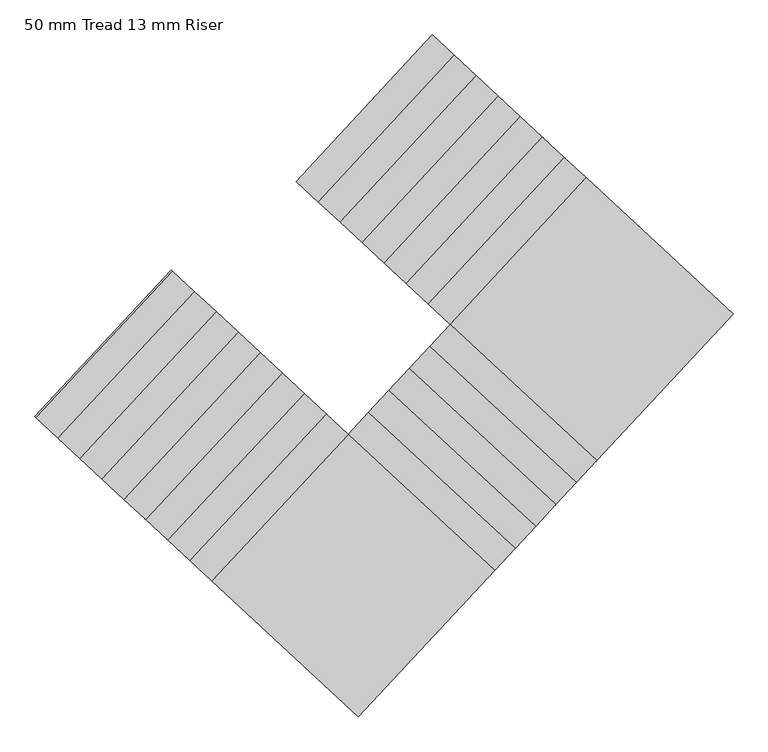
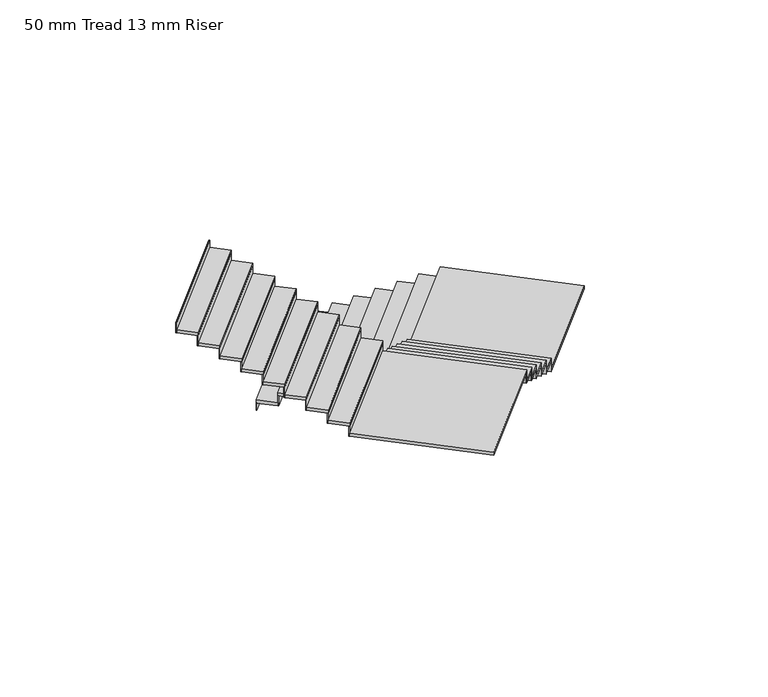
"""IFC4 building model written with IfcOpenShell, lengths in millimetres: stair flight geometry, 50 mm Tread 13 mm Riser."""

import ifcopenshell
import ifcopenshell.guid

model = None  # the IFC model being written
_history = None  # IfcOwnerHistory: only IFC2X3 demands one
_inside = {}  # id of a spatial element -> (the spatial element, [elements in it])
_under = {}  # id of a project, library or spatial element -> (it, [spatial elements below it])
_declared = {}  # id of a project -> (the project, [libraries it declares])
_typed = {}  # id of a type object -> (the type object, [elements of that type])
_made_of = {}  # id of a material, layer set ... -> (it, [elements and type objects made of it])


def new_model(schema):
    """Start an empty IFC model of exactly this schema.

    Asked for "IFC4X3", IfcOpenShell would pick the latest addendum, in which some entities
    have other attributes; the version numbers below select the first issue.
    IFC2X3 requires an IfcOwnerHistory on every rooted entity: one is made here for all.
    """
    global model, _history
    if schema == "IFC4X3":
        model = ifcopenshell.file(schema_version=(4, 3, 0, 0))
    else:
        model = ifcopenshell.file(schema=schema)
    _inside.clear()
    _under.clear()
    _declared.clear()
    _typed.clear()
    _made_of.clear()
    _history = None
    if model.schema == "IFC2X3":
        org = make("IfcOrganization", Name="unknown")
        user = make(
            "IfcPersonAndOrganization",
            ThePerson=make("IfcPerson", FamilyName="unknown"),
            TheOrganization=org,
        )
        app = make(
            "IfcApplication",
            ApplicationDeveloper=org,
            Version="unknown",
            ApplicationFullName="unknown",
            ApplicationIdentifier="unknown",
        )
        _history = make(
            "IfcOwnerHistory",
            OwningUser=user,
            OwningApplication=app,
            ChangeAction="ADDED",
            CreationDate=0,
        )
    return model


def make(cls, **values):
    """One entity of the class cls with the attributes given. An attribute that is None is left unset."""
    return model.create_entity(
        cls, **{name: value for name, value in values.items() if value is not None}
    )


def rooted(cls, **values):
    """An entity with a GlobalId (a new one), such as an element, a storey or a relation."""
    return make(cls, GlobalId=ifcopenshell.guid.new(), OwnerHistory=_history, **values)


def si_unit(unit_type, name, prefix=None):
    """IfcSIUnit, for example si_unit("LENGTHUNIT", "METRE", prefix="MILLI")."""
    return make("IfcSIUnit", UnitType=unit_type, Prefix=prefix, Name=name)


def assignment(units):
    """IfcUnitAssignment: the units of a project."""
    return None if units is None else make("IfcUnitAssignment", Units=units)


def point(xyz):
    """IfcCartesianPoint."""
    return None if xyz is None else make("IfcCartesianPoint", Coordinates=xyz)


def direction(xyz):
    """IfcDirection."""
    return None if xyz is None else make("IfcDirection", DirectionRatios=xyz)


def frame(location, z_axis=None, x_axis=None):
    """IfcAxis2Placement3D, a coordinate frame: its origin and axes. An axis left out is left unset."""
    return make(
        "IfcAxis2Placement3D",
        Location=point(location),
        Axis=direction(z_axis),
        RefDirection=direction(x_axis),
    )


def origin():
    """The frame at (0, 0, 0) with its axes left unset."""
    return frame((0.0, 0.0, 0.0))


def place(relative_to, where):
    """IfcLocalPlacement: puts the frame where relative to a parent placement (None: the world)."""
    return make(
        "IfcLocalPlacement", PlacementRelTo=relative_to, RelativePlacement=where
    )


def context(
    kind, dimensions, precision=None, world=None, true_north=None, identifier=None
):
    """IfcGeometricRepresentationContext, for example the 3D "Model" context."""
    return make(
        "IfcGeometricRepresentationContext",
        ContextIdentifier=identifier,
        ContextType=kind,
        CoordinateSpaceDimension=dimensions,
        Precision=precision,
        WorldCoordinateSystem=world,
        TrueNorth=true_north,
    )


def project(units=None, contexts=None):
    """IfcProject with its units and contexts."""
    return rooted(
        "IfcProject",
        Name="project",
        RepresentationContexts=contexts,
        UnitsInContext=assignment(units),
    )


def spatial(cls, under=None, at=None, **own):
    """A site, building, storey or space (cls), placed at a placement, below another one or the project."""
    s = rooted(cls, ObjectPlacement=at, **own)
    if under is not None:
        _under.setdefault(under.id(), (under, []))[1].append(s)
    return s


def polyline(points):
    """IfcPolyline through the points."""
    return make("IfcPolyline", Points=[point(p) for p in points])


def outline(outer, holes=None, kind="AREA"):
    """IfcArbitraryClosedProfileDef: a profile drawn as a closed curve; with holes, ...WithVoids."""
    if holes is None:
        return make("IfcArbitraryClosedProfileDef", ProfileType=kind, OuterCurve=outer)
    return make(
        "IfcArbitraryProfileDefWithVoids",
        ProfileType=kind,
        OuterCurve=outer,
        InnerCurves=holes,
    )


def extrude(swept, where, along, depth):
    """IfcExtrudedAreaSolid: the profile swept, set in the frame where, extruded along a direction by depth."""
    return make(
        "IfcExtrudedAreaSolid",
        SweptArea=swept,
        Position=where,
        ExtrudedDirection=direction(along),
        Depth=depth,
    )


def shape(context_of_items, identifier, shape_type, items):
    """IfcShapeRepresentation: the items that make up one representation, for example the "Body"."""
    return make(
        "IfcShapeRepresentation",
        ContextOfItems=context_of_items,
        RepresentationIdentifier=identifier,
        RepresentationType=shape_type,
        Items=items,
    )


def source(mapping_origin, context_of_items, identifier, shape_type, items):
    """IfcRepresentationMap: a shape defined once, which mapped items show again and again."""
    return make(
        "IfcRepresentationMap",
        MappingOrigin=mapping_origin,
        MappedRepresentation=shape(context_of_items, identifier, shape_type, items),
    )


def transform(
    local_origin,
    x_axis=None,
    y_axis=None,
    z_axis=None,
    scale=None,
    scale2=None,
    scale3=None,
    uniform=True,
):
    """IfcCartesianTransformationOperator3D, or its non-uniform kind. x_axis, y_axis, z_axis: its Axis1, 2, 3."""
    if uniform:
        return make(
            "IfcCartesianTransformationOperator3D",
            Axis1=direction(x_axis),
            Axis2=direction(y_axis),
            LocalOrigin=point(local_origin),
            Scale=scale,
            Axis3=direction(z_axis),
        )
    return make(
        "IfcCartesianTransformationOperator3DnonUniform",
        Axis1=direction(x_axis),
        Axis2=direction(y_axis),
        LocalOrigin=point(local_origin),
        Scale=scale,
        Axis3=direction(z_axis),
        Scale2=scale2,
        Scale3=scale3,
    )


def mapped(mapping_source, mapping_target):
    """IfcMappedItem: shows the shape of a source again, moved by a transform."""
    return make(
        "IfcMappedItem", MappingSource=mapping_source, MappingTarget=mapping_target
    )


def made_of(thing, what):
    """Note that an element or type object is made of a material, layer set ...; save() writes the relation."""
    if what is not None:
        _made_of.setdefault(what.id(), (what, []))[1].append(thing)
    return thing


def element(
    cls,
    number,
    at=None,
    inside=None,
    cuts=None,
    type_object=None,
    material=None,
    context=None,
    identifier="Body",
    shape_type=None,
    held_by="IfcProductDefinitionShape",
    body=None,
    shapes=None,
    **own,
):
    """One element of the class cls, such as IfcWall. Its Tag is "e" and its number.

    at: its placement. inside: the storey or other place that contains it. cuts: it is an
    opening in that element (IfcRelVoidsElement). A single representation is given by context,
    identifier, shape_type and body (its items); several are given by shapes. held_by: the class
    of the entity that holds the representations. save() writes the other relations.
    """
    e = rooted(cls, Tag="e%d" % number, ObjectPlacement=at, **own)
    if body is not None:
        shapes = [shape(context, identifier, shape_type, body)]
    if shapes is not None:
        e.Representation = make(held_by, Representations=shapes)
    if inside is not None:
        _inside.setdefault(inside.id(), (inside, []))[1].append(e)
    if cuts is not None:
        rooted(
            "IfcRelVoidsElement", RelatingBuildingElement=cuts, RelatedOpeningElement=e
        )
    if type_object is not None:
        _typed.setdefault(type_object.id(), (type_object, []))[1].append(e)
    return made_of(e, material)


def aggregate(whole, parts):
    """IfcRelAggregates: a whole, such as a stair, and the parts it consists of."""
    return rooted("IfcRelAggregates", RelatingObject=whole, RelatedObjects=parts)


def save(model, path):
    """Write the relations noted so far, then the file.

    IfcRelAggregates (storeys below a building ...), IfcRelContainedInSpatialStructure (elements
    in a storey), IfcRelDefinesByType, IfcRelAssociatesMaterial and IfcRelDeclares: one each for
    every whole, place, type object, material and project.
    """
    for whole, parts in _under.values():
        aggregate(whole, parts)
    for where, things in _inside.values():
        rooted(
            "IfcRelContainedInSpatialStructure",
            RelatedElements=things,
            RelatingStructure=where,
        )
    for kind, things in _typed.values():
        rooted("IfcRelDefinesByType", RelatedObjects=things, RelatingType=kind)
    for what, things in _made_of.values():
        rooted("IfcRelAssociatesMaterial", RelatedObjects=things, RelatingMaterial=what)
    for by, libraries in _declared.values():
        rooted("IfcRelDeclares", RelatingContext=by, RelatedDefinitions=libraries)
    model.write(path)


def stair_flight_50_mm_tread_13_mm_riser_7d649fff(model_context):
    return source(origin(), model_context, "Body", "SweptSolid", [
        extrude(outline(polyline([(-224111.8923245, 1149.5064347), (-224121.0507096, 1158.0137246), (-222759.8843152, 2623.3553389), (-222750.7259301, 2614.848049), (-224111.8923245, 1149.5064347)])), frame((0.0, 0.0, 680.0), z_axis=(0.0, 0.0, 1.0), x_axis=(1.0, 0.0, 0.0)), (0.0, 0.0, 1.0), 116.6666667),
        extrude(outline(polyline([(-222540.083073, 2419.1803798), (-223901.2494674, 953.8387655), (-224121.0507096, 1158.0137246), (-222759.8843152, 2623.3553389), (-222540.083073, 2419.1803798)])), frame((0.0, 0.0, 796.6666667), z_axis=(0.0, 0.0, 1.0), x_axis=(1.0, 0.0, 0.0)), (0.0, 0.0, 1.0), 50.0),
        extrude(outline(polyline([(-223892.0910823, 945.3314755), (-223901.2494674, 953.8387655), (-222540.083073, 2419.1803798), (-222530.9246879, 2410.6730898), (-223892.0910823, 945.3314755)])), frame((0.0, 0.0, 796.6666667), z_axis=(0.0, 0.0, 1.0), x_axis=(1.0, 0.0, 0.0)), (0.0, 0.0, 1.0), 166.6666667),
        extrude(outline(polyline([(-222320.2818309, 2215.0054206), (-223681.4482253, 749.6638063), (-223901.2494674, 953.8387655), (-222540.083073, 2419.1803798), (-222320.2818309, 2215.0054206)])), frame((0.0, 0.0, 963.3333333), z_axis=(0.0, 0.0, 1.0), x_axis=(1.0, 0.0, 0.0)), (0.0, 0.0, 1.0), 50.0),
        extrude(outline(polyline([(-223672.2898402, 741.1565163), (-223681.4482253, 749.6638063), (-222320.2818309, 2215.0054206), (-222311.1234458, 2206.4981307), (-223672.2898402, 741.1565163)])), frame((0.0, 0.0, 963.3333333), z_axis=(0.0, 0.0, 1.0), x_axis=(1.0, 0.0, 0.0)), (0.0, 0.0, 1.0), 166.6666667),
        extrude(outline(polyline([(-222100.4805887, 2010.8304615), (-223461.6469831, 545.4888471), (-223681.4482253, 749.6638063), (-222320.2818309, 2215.0054206), (-222100.4805887, 2010.8304615)])), frame((0.0, 0.0, 1130.0), z_axis=(0.0, 0.0, 1.0), x_axis=(1.0, 0.0, 0.0)), (0.0, 0.0, 1.0), 50.0),
        extrude(outline(polyline([(-223452.488598, 536.9815572), (-223461.6469831, 545.4888471), (-222100.4805887, 2010.8304614), (-222091.3222036, 2002.3231715), (-223452.488598, 536.9815572)])), frame((0.0, 0.0, 1130.0), z_axis=(0.0, 0.0, 1.0), x_axis=(1.0, 0.0, 0.0)), (0.0, 0.0, 1.0), 166.6666667),
        extrude(outline(polyline([(-221880.6793466, 1806.6555023), (-223241.845741, 341.313888), (-223461.6469831, 545.4888471), (-222100.4805887, 2010.8304614), (-221880.6793466, 1806.6555023)])), frame((0.0, 0.0, 1296.6666667), z_axis=(0.0, 0.0, 1.0), x_axis=(1.0, 0.0, 0.0)), (0.0, 0.0, 1.0), 50.0),
        extrude(outline(polyline([(-223232.6873559, 332.806598), (-223241.845741, 341.313888), (-221880.6793466, 1806.6555023), (-221871.5209615, 1798.1482123), (-223232.6873559, 332.806598)])), frame((0.0, 0.0, 1296.6666667), z_axis=(0.0, 0.0, 1.0), x_axis=(1.0, 0.0, 0.0)), (0.0, 0.0, 1.0), 166.6666667),
        extrude(outline(polyline([(-221660.8781044, 1602.4805431), (-223022.0444988, 137.1389288), (-223241.845741, 341.313888), (-221880.6793466, 1806.6555023), (-221660.8781044, 1602.4805431)])), frame((0.0, 0.0, 1463.3333333), z_axis=(0.0, 0.0, 1.0), x_axis=(1.0, 0.0, 0.0)), (0.0, 0.0, 1.0), 50.0),
        extrude(outline(polyline([(-223012.8861138, 128.6316388), (-223022.0444988, 137.1389288), (-221660.8781044, 1602.4805431), (-221651.7197193, 1593.9732532), (-223012.8861138, 128.6316388)])), frame((0.0, 0.0, 1463.3333333), z_axis=(0.0, 0.0, 1.0), x_axis=(1.0, 0.0, 0.0)), (0.0, 0.0, 1.0), 166.6666667),
        extrude(outline(polyline([(-221441.0768623, 1398.305584), (-222802.2432567, -67.0360304), (-223022.0444988, 137.1389288), (-221660.8781044, 1602.4805431), (-221441.0768623, 1398.305584)])), frame((0.0, 0.0, 1630.0), z_axis=(0.0, 0.0, 1.0), x_axis=(1.0, 0.0, 0.0)), (0.0, 0.0, 1.0), 50.0),
        extrude(outline(polyline([(-222793.0848716, -75.5433203), (-222802.2432567, -67.0360304), (-221441.0768623, 1398.305584), (-221431.9184772, 1389.798294), (-222793.0848716, -75.5433203)])), frame((0.0, 0.0, 1630.0), z_axis=(0.0, 0.0, 1.0), x_axis=(1.0, 0.0, 0.0)), (0.0, 0.0, 1.0), 166.6666667),
        extrude(outline(polyline([(-221221.2756201, 1194.1306248), (-222582.4420145, -271.2109895), (-222802.2432567, -67.0360304), (-221441.0768623, 1398.305584), (-221221.2756201, 1194.1306248)])), frame((0.0, 0.0, 1796.6666667), z_axis=(0.0, 0.0, 1.0), x_axis=(1.0, 0.0, 0.0)), (0.0, 0.0, 1.0), 50.0),
        extrude(outline(polyline([(-222573.2836295, -279.7182795), (-222582.4420145, -271.2109895), (-221221.2756201, 1194.1306248), (-221212.117235, 1185.6233348), (-222573.2836295, -279.7182795)])), frame((0.0, 0.0, 1796.6666667), z_axis=(0.0, 0.0, 1.0), x_axis=(1.0, 0.0, 0.0)), (0.0, 0.0, 1.0), 166.6666667),
        extrude(outline(polyline([(-221117.1004002, -1632.377384), (-222582.4420145, -271.2109895), (-221221.2756201, 1194.1306248), (-219755.9340058, -167.0357696), (-221117.1004002, -1632.377384)])), frame((0.0, 0.0, 1963.3333333), z_axis=(0.0, 0.0, 1.0), x_axis=(1.0, 0.0, 0.0)), (0.0, 0.0, 1.0), 50.0),
        extrude(outline(polyline([(-222590.9493045, -280.3693746), (-222582.4420145, -271.2109895), (-221117.1004002, -1632.377384), (-221125.6076902, -1641.5357691), (-222590.9493045, -280.3693746)])), frame((0.0, 0.0, 1963.3333333), z_axis=(0.0, 0.0, 1.0), x_axis=(1.0, 0.0, 0.0)), (0.0, 0.0, 1.0), 166.6666667),
        extrude(outline(polyline([(-221321.2753594, -1852.1786261), (-222786.6169737, -491.0122317), (-222582.4420145, -271.2109895), (-221117.1004002, -1632.377384), (-221321.2753594, -1852.1786261)])), frame((0.0, 0.0, 2130.0), z_axis=(0.0, 0.0, 1.0), x_axis=(1.0, 0.0, 0.0)), (0.0, 0.0, 1.0), 50.0),
        extrude(outline(polyline([(-222795.1242637, -500.1706168), (-222786.6169737, -491.0122317), (-221321.2753594, -1852.1786261), (-221329.7826494, -1861.3370112), (-222795.1242637, -500.1706168)])), frame((0.0, 0.0, 2130.0), z_axis=(0.0, 0.0, 1.0), x_axis=(1.0, 0.0, 0.0)), (0.0, 0.0, 1.0), 166.6666667),
        extrude(outline(polyline([(-221525.4503186, -2071.9798683), (-222990.7919329, -710.8134738), (-222786.6169737, -491.0122317), (-221321.2753594, -1852.1786261), (-221525.4503186, -2071.9798683)])), frame((0.0, 0.0, 2296.6666667), z_axis=(0.0, 0.0, 1.0), x_axis=(1.0, 0.0, 0.0)), (0.0, 0.0, 1.0), 50.0),
        extrude(outline(polyline([(-222999.2992228, -719.9718589), (-222990.7919329, -710.8134738), (-221525.4503186, -2071.9798683), (-221533.9576085, -2081.1382534), (-222999.2992228, -719.9718589)])), frame((0.0, 0.0, 2296.6666667), z_axis=(0.0, 0.0, 1.0), x_axis=(1.0, 0.0, 0.0)), (0.0, 0.0, 1.0), 166.6666667),
        extrude(outline(polyline([(-221729.6252777, -2291.7811104), (-223194.966892, -930.614716), (-222990.7919329, -710.8134738), (-221525.4503186, -2071.9798683), (-221729.6252777, -2291.7811104)])), frame((0.0, 0.0, 2463.3333333), z_axis=(0.0, 0.0, 1.0), x_axis=(1.0, 0.0, 0.0)), (0.0, 0.0, 1.0), 50.0),
        extrude(outline(polyline([(-223203.474182, -939.7731011), (-223194.966892, -930.614716), (-221729.6252777, -2291.7811104), (-221738.1325677, -2300.9394955), (-223203.474182, -939.7731011)])), frame((0.0, 0.0, 2463.3333333), z_axis=(0.0, 0.0, 1.0), x_axis=(1.0, 0.0, 0.0)), (0.0, 0.0, 1.0), 166.6666667),
        extrude(outline(polyline([(-221933.8002369, -2511.5823526), (-223399.1418512, -1150.4159581), (-223194.966892, -930.614716), (-221729.6252777, -2291.7811104), (-221933.8002369, -2511.5823526)])), frame((0.0, 0.0, 2630.0), z_axis=(0.0, 0.0, 1.0), x_axis=(1.0, 0.0, 0.0)), (0.0, 0.0, 1.0), 50.0),
        extrude(outline(polyline([(-223407.6491412, -1159.5743432), (-223399.1418512, -1150.4159581), (-221933.8002369, -2511.5823526), (-221942.3075269, -2520.7407377), (-223407.6491412, -1159.5743432)])), frame((0.0, 0.0, 2630.0), z_axis=(0.0, 0.0, 1.0), x_axis=(1.0, 0.0, 0.0)), (0.0, 0.0, 1.0), 166.6666667),
        extrude(outline(polyline([(-222137.9751961, -2731.3835947), (-223603.3168104, -1370.2172003), (-223399.1418512, -1150.4159581), (-221933.8002369, -2511.5823526), (-222137.9751961, -2731.3835947)])), frame((0.0, 0.0, 2796.6666667), z_axis=(0.0, 0.0, 1.0), x_axis=(1.0, 0.0, 0.0)), (0.0, 0.0, 1.0), 50.0),
        extrude(outline(polyline([(-223611.8241003, -1379.3755854), (-223603.3168104, -1370.2172003), (-222137.9751961, -2731.3835947), (-222146.482486, -2740.5419798), (-223611.8241003, -1379.3755854)])), frame((0.0, 0.0, 2796.6666667), z_axis=(0.0, 0.0, 1.0), x_axis=(1.0, 0.0, 0.0)), (0.0, 0.0, 1.0), 166.6666667),
        extrude(outline(polyline([(-224964.4832048, -2835.5588146), (-223603.3168104, -1370.2172003), (-222137.9751961, -2731.3835947), (-223499.1415905, -4196.725209), (-224964.4832048, -2835.5588146)])), frame((0.0, 0.0, 2963.3333333), z_axis=(0.0, 0.0, 1.0), x_axis=(1.0, 0.0, 0.0)), (0.0, 0.0, 1.0), 50.0),
        extrude(outline(polyline([(-223612.4751955, -1361.7099103), (-223603.3168104, -1370.2172003), (-224964.4832048, -2835.5588146), (-224973.6415899, -2827.0515246), (-223612.4751955, -1361.7099103)])), frame((0.0, 0.0, 2963.3333333), z_axis=(0.0, 0.0, 1.0), x_axis=(1.0, 0.0, 0.0)), (0.0, 0.0, 1.0), 166.6666667),
        extrude(outline(polyline([(-225184.284447, -2631.3838554), (-223823.1180525, -1166.0422411), (-223603.3168104, -1370.2172003), (-224964.4832048, -2835.5588146), (-225184.284447, -2631.3838554)])), frame((0.0, 0.0, 3130.0), z_axis=(0.0, 0.0, 1.0), x_axis=(1.0, 0.0, 0.0)), (0.0, 0.0, 1.0), 50.0),
        extrude(outline(polyline([(-223832.2764376, -1157.5349511), (-223823.1180525, -1166.0422411), (-225184.284447, -2631.3838554), (-225193.442832, -2622.8765655), (-223832.2764376, -1157.5349511)])), frame((0.0, 0.0, 3130.0), z_axis=(0.0, 0.0, 1.0), x_axis=(1.0, 0.0, 0.0)), (0.0, 0.0, 1.0), 166.6666667),
        extrude(outline(polyline([(-225404.0856891, -2427.2088963), (-224042.9192947, -961.8672819), (-223823.1180525, -1166.0422411), (-225184.284447, -2631.3838554), (-225404.0856891, -2427.2088963)])), frame((0.0, 0.0, 3296.6666667), z_axis=(0.0, 0.0, 1.0), x_axis=(1.0, 0.0, 0.0)), (0.0, 0.0, 1.0), 50.0),
        extrude(outline(polyline([(-224052.0776798, -953.359992), (-224042.9192947, -961.8672819), (-225404.0856891, -2427.2088963), (-225413.2440742, -2418.7016063), (-224052.0776798, -953.359992)])), frame((0.0, 0.0, 3296.6666667), z_axis=(0.0, 0.0, 1.0), x_axis=(1.0, 0.0, 0.0)), (0.0, 0.0, 1.0), 166.6666667),
        extrude(outline(polyline([(-225623.8869313, -2223.0339371), (-224262.7205368, -757.6923228), (-224042.9192947, -961.8672819), (-225404.0856891, -2427.2088963), (-225623.8869313, -2223.0339371)])), frame((0.0, 0.0, 3463.3333333), z_axis=(0.0, 0.0, 1.0), x_axis=(1.0, 0.0, 0.0)), (0.0, 0.0, 1.0), 50.0),
        extrude(outline(polyline([(-224271.8789219, -749.1850328), (-224262.7205368, -757.6923228), (-225623.8869313, -2223.0339371), (-225633.0453163, -2214.5266471), (-224271.8789219, -749.1850328)])), frame((0.0, 0.0, 3463.3333333), z_axis=(0.0, 0.0, 1.0), x_axis=(1.0, 0.0, 0.0)), (0.0, 0.0, 1.0), 166.6666667),
        extrude(outline(polyline([(-225843.6881734, -2018.8589779), (-224482.521779, -553.5173636), (-224262.7205368, -757.6923228), (-225623.8869313, -2223.0339371), (-225843.6881734, -2018.8589779)])), frame((0.0, 0.0, 3630.0), z_axis=(0.0, 0.0, 1.0), x_axis=(1.0, 0.0, 0.0)), (0.0, 0.0, 1.0), 50.0),
        extrude(outline(polyline([(-224491.6801641, -545.0100737), (-224482.521779, -553.5173636), (-225843.6881734, -2018.8589779), (-225852.8465585, -2010.351688), (-224491.6801641, -545.0100737)])), frame((0.0, 0.0, 3630.0), z_axis=(0.0, 0.0, 1.0), x_axis=(1.0, 0.0, 0.0)), (0.0, 0.0, 1.0), 166.6666667),
        extrude(outline(polyline([(-226063.4894156, -1814.6840188), (-224702.3230211, -349.3424045), (-224482.521779, -553.5173636), (-225843.6881734, -2018.8589779), (-226063.4894156, -1814.6840188)])), frame((0.0, 0.0, 3796.6666667), z_axis=(0.0, 0.0, 1.0), x_axis=(1.0, 0.0, 0.0)), (0.0, 0.0, 1.0), 50.0),
        extrude(outline(polyline([(-224711.4814062, -340.8351145), (-224702.3230211, -349.3424044), (-226063.4894156, -1814.6840188), (-226072.6478006, -1806.1767288), (-224711.4814062, -340.8351145)])), frame((0.0, 0.0, 3796.6666667), z_axis=(0.0, 0.0, 1.0), x_axis=(1.0, 0.0, 0.0)), (0.0, 0.0, 1.0), 166.6666667),
        extrude(outline(polyline([(-226283.2906577, -1610.5090596), (-224922.1242633, -145.1674453), (-224702.3230211, -349.3424044), (-226063.4894156, -1814.6840188), (-226283.2906577, -1610.5090596)])), frame((0.0, 0.0, 3963.3333333), z_axis=(0.0, 0.0, 1.0), x_axis=(1.0, 0.0, 0.0)), (0.0, 0.0, 1.0), 50.0),
        extrude(outline(polyline([(-224931.2826484, -136.6601553), (-224922.1242633, -145.1674453), (-226283.2906577, -1610.5090596), (-226292.4490428, -1602.0017696), (-224931.2826484, -136.6601553)])), frame((0.0, 0.0, 3963.3333333), z_axis=(0.0, 0.0, 1.0), x_axis=(1.0, 0.0, 0.0)), (0.0, 0.0, 1.0), 166.6666667),
        extrude(outline(polyline([(-226503.0918999, -1406.3341004), (-225141.9255054, 59.0075139), (-224922.1242633, -145.1674453), (-226283.2906577, -1610.5090596), (-226503.0918999, -1406.3341004)])), frame((0.0, 0.0, 4130.0), z_axis=(0.0, 0.0, 1.0), x_axis=(1.0, 0.0, 0.0)), (0.0, 0.0, 1.0), 50.0),
        extrude(outline(polyline([(-225151.0838905, 67.5148038), (-225141.9255054, 59.0075139), (-226503.0918999, -1406.3341004), (-226512.2502849, -1397.8268105), (-225151.0838905, 67.5148038)])), frame((0.0, 0.0, 4130.0), z_axis=(0.0, 0.0, 1.0), x_axis=(1.0, 0.0, 0.0)), (0.0, 0.0, 1.0), 166.6666667),
        extrude(outline(polyline([(-225370.8851327, 271.689763), (-225361.7267476, 263.182473), (-226722.893142, -1202.1591413), (-226732.0515271, -1193.6518513), (-225370.8851327, 271.689763)])), frame((0.0, 0.0, 4296.6666667), z_axis=(0.0, 0.0, 1.0), x_axis=(1.0, 0.0, 0.0)), (0.0, 0.0, 1.0), 166.6666667),
        extrude(outline(polyline([(-226722.893142, -1202.1591413), (-225361.7267476, 263.182473), (-225141.9255054, 59.0075139), (-226503.0918999, -1406.3341004), (-226722.893142, -1202.1591413)])), frame((0.0, 0.0, 4296.6666667), z_axis=(0.0, 0.0, 1.0), x_axis=(1.0, 0.0, 0.0)), (0.0, 0.0, 1.0), 50.0),
    ])


if __name__ == "__main__":
    model = new_model("IFC4")
    model_context = context("Model", 3, world=origin())
    ifc_project = project(units=[si_unit("LENGTHUNIT", "METRE", prefix="MILLI")], contexts=[model_context])
    site = spatial("IfcSite", under=ifc_project)
    building = spatial("IfcBuilding", under=site)
    placement = place(None, origin())
    stair_flight_50_mm_tread_13_mm_riser_shape = stair_flight_50_mm_tread_13_mm_riser_7d649fff(model_context)
    element("IfcStairFlight", 1, ObjectType="50 mm Tread 13 mm Riser", at=placement, inside=building, context=model_context, shape_type="MappedRepresentation", body=[
        mapped(stair_flight_50_mm_tread_13_mm_riser_shape, transform((0.0, 0.0, 0.0), x_axis=(1.0, 0.0, 0.0), y_axis=(0.0, 1.0, 0.0), z_axis=(0.0, 0.0, 1.0))),
    ])
    save(model, "model.ifc")
